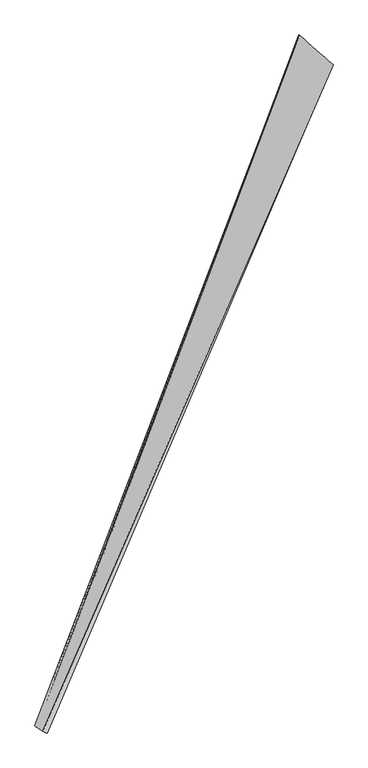
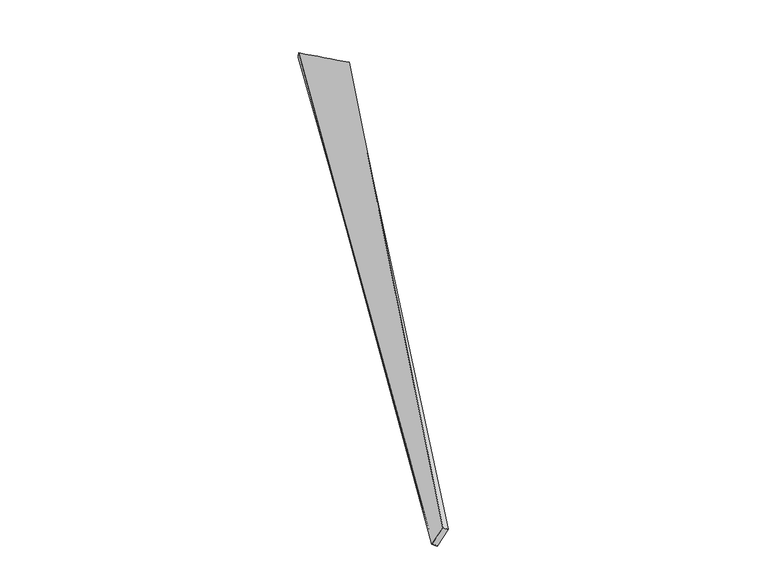
"""IFC4 building model written with IfcOpenShell, lengths in millimetres: proxy geometry."""

from ifc_helpers import new_model, si_unit, origin, place, context, project, spatial, source, transform, mapped, element, save
from ifc_brep_helpers import spline_surface, advanced_brep


def generic_models_f9c897f1(model_context):
    return source(origin(), model_context, "Body", "AdvancedBrep", [
        advanced_brep(
        [(-704.122004, -1783.7757434, 52.5037168), (-679.7114081, -1794.6526114, 38.8722623), (971.8895498, 2063.6077245, -41.4742184), (974.1904271, 2063.1020133, -11.5668578), (-725.0909416, -1762.6786694, -66.7258381), (776.7708195, 2235.7174091, -18.3419785), (-749.7806575, -1753.4378806, -52.4071178), (779.7122343, 2234.1116107, 11.4702588)],
        [
            (0, 1),
            (1, 2),
            (2, 3),
            (3, 0),
            (1, 4),
            (4, 5),
            (5, 2),
            (4, 6),
            (6, 7),
            (7, 5),
            (6, 0),
            (3, 7),
        ],
        [
            spline_surface(1, 1, [[(-704.122004, -1783.7757434, 52.5037168), (974.1904271, 2063.1020133, -11.5668578)], [(-679.7114081, -1794.6526114, 38.8722623), (971.8895498, 2063.6077245, -41.4742184)]], [2, 2], [2, 2], [0.0, 1.0], [0.0, 1.0]),
            spline_surface(1, 1, [[(-679.7114081, -1794.6526114, 38.8722623), (971.8895498, 2063.6077245, -41.4742184)], [(-725.0909416, -1762.6786694, -66.7258381), (776.7708195, 2235.7174091, -18.3419785)]], [2, 2], [2, 2], [0.0, 1.0], [0.0, 1.0]),
            spline_surface(1, 1, [[(-725.0909416, -1762.6786694, -66.7258381), (776.7708195, 2235.7174091, -18.3419785)], [(-749.7806575, -1753.4378806, -52.4071178), (779.7122343, 2234.1116107, 11.4702588)]], [2, 2], [2, 2], [0.0, 1.0], [0.0, 1.0]),
            spline_surface(1, 1, [[(-749.7806575, -1753.4378806, -52.4071178), (779.7122343, 2234.1116107, 11.4702588)], [(-704.122004, -1783.7757434, 52.5037168), (974.1904271, 2063.1020133, -11.5668578)]], [2, 2], [2, 2], [0.0, 1.0], [0.0, 1.0]),
            spline_surface(1, 1, [[(971.8895498, 2063.6077245, -41.4742184), (974.1904271, 2063.1020133, -11.5668578)], [(776.7708195, 2235.7174091, -18.3419785), (779.7122343, 2234.1116107, 11.4702588)]], [2, 2], [2, 2], [0.0, 1.0], [0.0, 1.0]),
            spline_surface(1, 1, [[(-749.7806575, -1753.4378806, -52.4071178), (-704.122004, -1783.7757434, 52.5037168)], [(-725.0909416, -1762.6786694, -66.7258381), (-679.7114081, -1794.6526114, 38.8722623)]], [2, 2], [2, 2], [0.0, 1.0], [0.0, 1.0]),
        ],
        [
            (0, [[1, 2, 3, 4]]),
            (1, [[5, 6, 7, -2]]),
            (2, [[8, 9, 10, -6]]),
            (3, [[11, -4, 12, -9]]),
            (4, [[-3, -7, -10, -12]]),
            (5, [[-11, -8, -5, -1]]),
        ],
    ),
    ])


if __name__ == "__main__":
    model = new_model("IFC4")
    model_context = context("Model", 3, world=origin())
    ifc_project = project(units=[si_unit("LENGTHUNIT", "METRE", prefix="MILLI")], contexts=[model_context])
    site = spatial("IfcSite", under=ifc_project)
    building = spatial("IfcBuilding", under=site)
    placement = place(None, origin())
    generic_models_shape = generic_models_f9c897f1(model_context)
    element("IfcBuildingElementProxy", 1, Name="Generic Models", at=placement, inside=building, context=model_context, shape_type="MappedRepresentation", body=[
        mapped(generic_models_shape, transform((0.0, 0.0, 0.0), x_axis=(1.0, 0.0, 0.0), y_axis=(0.0, 1.0, 0.0), z_axis=(0.0, 0.0, 1.0))),
    ])
    save(model, "model.ifc")
